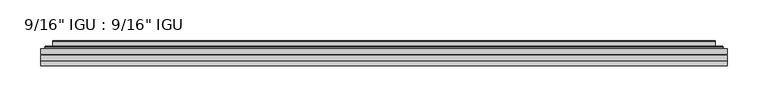
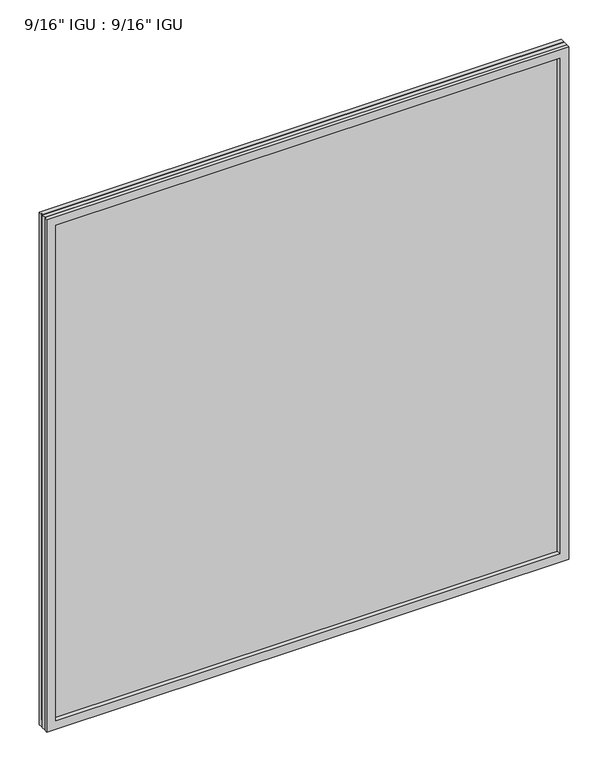
"""IFC4 building model written with IfcOpenShell, lengths in millimetres: plate geometry."""

from ifc_helpers import new_model, si_unit, frame, origin, place, context, project, spatial, polyline, ellipse_curve, outline, extrude, faceted_brep, source, transform, mapped, element, save
from ifc_brep_helpers import plane_surface, cylinder_surface, advanced_brep


def plate_bd784fa4(model_context):
    return source(origin(), model_context, "Body", "SolidModel", [
        extrude(outline(polyline([(419.114175, -54.78145), (419.114175, -61.1317818), (-419.1, -61.1317818), (-419.1, -54.78145), (419.114175, -54.78145)])), frame((0.0, 0.0, -14.2875), z_axis=(0.0, 0.0, 1.0), x_axis=(1.0, 0.0, 0.0)), (0.0, 0.0, 1.0), 869.9537979),
        extrude(outline(polyline([(-419.1, -69.05625), (-419.1, -62.705745), (419.114175, -62.705745), (419.114175, -69.05625), (-419.1, -69.05625)])), frame((0.0, 0.0, -14.2875), z_axis=(0.0, 0.0, 1.0), x_axis=(1.0, 0.0, 0.0)), (0.0, 0.0, 1.0), 869.9537979),
        faceted_brep([(-419.1127, -75.40625, 855.6752), (-419.1127, -69.05625, 855.6752), (-419.1127, -69.05625, -14.3002), (-419.1127, -75.40625, -14.3002), (419.1127, -69.05625, -14.3002), (419.1127, -75.40625, -14.3002), (419.1127, -69.05625, 855.6752), (419.1127, -75.40625, 855.6752), (-403.9147559, -69.05625, 0.8977441), (403.9147559, -69.05625, 0.8977441), (403.9147559, -69.05625, 840.4772559), (-403.9147559, -69.05625, 840.4772559), (-404.8071902, -75.40625, 841.3696902), (404.8071902, -75.40625, 841.3696902), (404.8071902, -75.40625, 0.0053098), (-404.8071902, -75.40625, 0.0053098)], [[[0, 1, 2, 3]], [[3, 2, 4, 5]], [[5, 4, 6, 7]], [[1, 6, 4, 2], [8, 9, 10, 11]], [[7, 6, 1, 0]], [[3, 5, 7, 0], [12, 13, 14, 15]], [[11, 12, 15, 8]], [[8, 15, 14, 9]], [[9, 14, 13, 10]], [[10, 13, 12, 11]]]),
        advanced_brep(
        [(-411.858719, -54.78145, 848.421219), (-414.2129244, -52.7917833, 850.7754244), (-414.2129244, -52.7917833, -9.4004244), (-411.858719, -54.78145, -7.046219), (-402.7843939, -50.941413, 839.3468939), (-397.8495621, -54.78145, 834.4120621), (-397.8495621, -54.78145, 6.9629379), (-402.7843939, -50.941413, 2.0281061), (-403.8164217, -45.5441819, 840.3789217), (-403.8164217, -45.5441819, 0.9960783), (-404.8070784, -45.1452069, 841.3695784), (-404.8070784, -45.1452069, 0.0054216), (-404.8070784, -51.60645, 841.3695784), (-404.8070784, -51.60645, 0.0054216), (-413.2111349, -51.60645, 849.7736349), (-413.2111349, -51.60645, -8.3986349), (414.2129244, -52.7917833, -9.4004244), (411.858719, -54.78145, -7.046219), (397.8495621, -54.78145, 6.9629379), (402.7843939, -50.941413, 2.0281061), (403.8164217, -45.5441819, 0.9960783), (404.8070784, -45.1452069, 0.0054216), (404.8070784, -51.60645, 0.0054216), (413.2111349, -51.60645, -8.3986349), (414.2129244, -52.7917833, 850.7754244), (411.858719, -54.78145, 848.421219), (397.8495621, -54.78145, 834.4120621), (402.7843939, -50.941413, 839.3468939), (403.8164217, -45.5441819, 840.3789217), (404.8070784, -45.1452069, 841.3695784), (404.8070784, -51.60645, 841.3695784), (413.2111349, -51.60645, 849.7736349)],
        [
            (0, 1, ellipse_curve(frame((-411.858719, -52.39385, 848.421219), z_axis=(-0.7071067811865475, 0.0, -0.7071067811865475), x_axis=(-0.7071067811865474, 0.0, 0.7071067811865476)), 3.3765763, 2.3876)),
            (1, 2),
            (2, 3, ellipse_curve(frame((-411.858719, -52.39385, -7.046219), z_axis=(-0.7071067811865475, 0.0, 0.7071067811865475), x_axis=(0.7071067811865474, 0.0, 0.7071067811865476)), 3.3765763, 2.3876)),
            (3, 0),
            (4, 5),
            (5, 6),
            (6, 7),
            (7, 4),
            (8, 4),
            (7, 9),
            (9, 8),
            (10, 8, ellipse_curve(frame((-404.4401219, -45.6634423, 841.0026219), z_axis=(-0.7071067811865475, 0.0, -0.7071067811865475), x_axis=(-0.7071067811865474, 0.0, 0.7071067811865476)), 0.8980256, 0.635)),
            (9, 11, ellipse_curve(frame((-404.4401219, -45.6634423, 0.3723781), z_axis=(-0.7071067811865475, 0.0, 0.7071067811865475), x_axis=(0.7071067811865474, 0.0, 0.7071067811865476)), 0.8980256, 0.635)),
            (11, 10),
            (12, 10),
            (11, 13),
            (13, 12),
            (1, 14, ellipse_curve(frame((-413.2111349, -52.62245, 849.7736349), z_axis=(-0.7071067811865475, 0.0, -0.7071067811865475), x_axis=(-0.7071067811865474, 0.0, 0.7071067811865476)), 1.436841, 1.016)),
            (14, 15),
            (15, 2, ellipse_curve(frame((-413.2111349, -52.62245, -8.3986349), z_axis=(-0.7071067811865475, 0.0, 0.7071067811865475), x_axis=(0.7071067811865474, 0.0, 0.7071067811865476)), 1.436841, 1.016)),
            (2, 16),
            (16, 17, ellipse_curve(frame((411.858719, -52.39385, -7.046219), z_axis=(-0.7071067811865475, 0.0, -0.7071067811865475), x_axis=(-0.7071067811865476, 0.0, 0.7071067811865474)), 3.3765763, 2.3876)),
            (17, 3),
            (6, 18),
            (18, 19),
            (19, 7),
            (19, 20),
            (20, 9),
            (20, 21, ellipse_curve(frame((404.4401219, -45.6634423, 0.3723781), z_axis=(-0.7071067811865475, 0.0, -0.7071067811865475), x_axis=(-0.7071067811865476, 0.0, 0.7071067811865474)), 0.8980256, 0.635)),
            (21, 11),
            (21, 22),
            (22, 13),
            (15, 23),
            (23, 16, ellipse_curve(frame((413.2111349, -52.62245, -8.3986349), z_axis=(-0.7071067811865475, 0.0, -0.7071067811865475), x_axis=(-0.7071067811865476, 0.0, 0.7071067811865474)), 1.436841, 1.016)),
            (16, 24),
            (24, 25, ellipse_curve(frame((411.858719, -52.39385, 848.421219), z_axis=(0.7071067811865475, 0.0, -0.7071067811865475), x_axis=(-0.7071067811865474, 0.0, -0.7071067811865476)), 3.3765763, 2.3876)),
            (25, 17),
            (18, 26),
            (26, 27),
            (27, 19),
            (27, 28),
            (28, 20),
            (28, 29, ellipse_curve(frame((404.4401219, -45.6634423, 841.0026219), z_axis=(0.7071067811865475, 0.0, -0.7071067811865475), x_axis=(-0.7071067811865474, 0.0, -0.7071067811865476)), 0.8980256, 0.635)),
            (29, 21),
            (29, 30),
            (30, 22),
            (23, 31),
            (31, 24, ellipse_curve(frame((413.2111349, -52.62245, 849.7736349), z_axis=(0.7071067811865475, 0.0, -0.7071067811865475), x_axis=(-0.7071067811865474, 0.0, -0.7071067811865476)), 1.436841, 1.016)),
            (24, 1),
            (0, 25),
            (5, 26),
            (4, 27),
            (8, 28),
            (10, 29),
            (12, 30),
            (14, 31),
        ],
        [
            cylinder_surface(frame((-411.858719, -52.39385, 873.125), z_axis=(0.0, 0.0, 1.0), x_axis=(-1.0, 0.0, 0.0)), 2.3876),
            plane_surface(frame((-397.8495621, -54.78145, 834.4120621), z_axis=(0.6141233906514794, 0.7892100234124821, 0.0), x_axis=(0.0, 0.0, -1.0))),
            plane_surface(frame((-402.7843939, -50.941413, 839.3468939), z_axis=(0.9822050625507728, 0.18781164793386085, 0.0), x_axis=(0.0, 0.0, -1.0))),
            cylinder_surface(frame((-404.4401219, -45.6634423, 873.125), z_axis=(0.0, 0.0, 1.0), x_axis=(-1.0, 0.0, 0.0)), 0.635),
            plane_surface(frame((-404.8070784, -45.1452069, 841.3695784), z_axis=(-1.0, 0.0, 0.0), x_axis=(0.0, 0.0, -1.0))),
            cylinder_surface(frame((-413.2111349, -52.62245, 873.125), z_axis=(0.0, 0.0, 1.0), x_axis=(-1.0, 0.0, 0.0)), 1.016),
            cylinder_surface(frame((-436.5625, -52.39385, -7.046219), z_axis=(-1.0, 0.0, 0.0), x_axis=(0.0, 0.0, -1.0)), 2.3876),
            plane_surface(frame((-397.8495621, -54.78145, 6.9629379), z_axis=(0.0, 0.7892100234124841, 0.6141233906514768), x_axis=(1.0, 0.0, 0.0))),
            plane_surface(frame((-402.7843939, -50.941413, 2.0281061), z_axis=(0.0, 0.18781164793386404, 0.9822050625507722), x_axis=(1.0, 0.0, 0.0))),
            cylinder_surface(frame((-436.5625, -45.6634423, 0.3723781), z_axis=(-1.0, 0.0, 0.0), x_axis=(0.0, 0.0, -1.0)), 0.635),
            plane_surface(frame((-404.8070784, -45.1452069, 0.0054216), z_axis=(0.0, 0.0, -1.0), x_axis=(1.0, 0.0, 0.0))),
            cylinder_surface(frame((-436.5625, -52.62245, -8.3986349), z_axis=(-1.0, 0.0, 0.0), x_axis=(0.0, 0.0, -1.0)), 1.016),
            cylinder_surface(frame((411.858719, -52.39385, -31.75), z_axis=(0.0, 0.0, -1.0), x_axis=(1.0, 0.0, 0.0)), 2.3876),
            plane_surface(frame((397.8495621, -54.78145, 6.9629379), z_axis=(-0.6141233906514743, 0.7892100234124861, 0.0), x_axis=(0.0, 0.0, 1.0))),
            plane_surface(frame((402.7843939, -50.941413, 2.0281061), z_axis=(-0.9822050625507717, 0.18781164793386723, 0.0), x_axis=(0.0, 0.0, 1.0))),
            cylinder_surface(frame((404.4401219, -45.6634423, -31.75), z_axis=(0.0, 0.0, -1.0), x_axis=(1.0, 0.0, 0.0)), 0.635),
            plane_surface(frame((404.8070784, -45.1452069, 0.0054216), z_axis=(1.0, 0.0, 0.0), x_axis=(0.0, 0.0, 1.0))),
            cylinder_surface(frame((413.2111349, -52.62245, -31.75), z_axis=(0.0, 0.0, -1.0), x_axis=(1.0, 0.0, 0.0)), 1.016),
            cylinder_surface(frame((436.5625, -52.39385, 848.421219), z_axis=(1.0, 0.0, 0.0), x_axis=(0.0, 0.0, 1.0)), 2.3876),
            plane_surface(frame((411.858719, -54.78145, 848.421219), z_axis=(0.0, -1.0, 0.0), x_axis=(-1.0, 0.0, 0.0))),
            plane_surface(frame((397.8495621, -54.78145, 834.4120621), z_axis=(0.0, 0.7892100234124841, -0.6141233906514768), x_axis=(-1.0, 0.0, 0.0))),
            plane_surface(frame((402.7843939, -50.941413, 839.3468939), z_axis=(0.0, 0.18781164793386404, -0.9822050625507722), x_axis=(-1.0, 0.0, 0.0))),
            cylinder_surface(frame((436.5625, -45.6634423, 841.0026219), z_axis=(1.0, 0.0, 0.0), x_axis=(0.0, 0.0, 1.0)), 0.635),
            plane_surface(frame((404.8070784, -45.1452069, 841.3695784), z_axis=(0.0, 0.0, 1.0), x_axis=(-1.0, 0.0, 0.0))),
            plane_surface(frame((404.8070784, -51.60645, 841.3695784), z_axis=(0.0, 1.0, 0.0), x_axis=(-1.0, 0.0, 0.0))),
            cylinder_surface(frame((436.5625, -52.62245, 849.7736349), z_axis=(1.0, 0.0, 0.0), x_axis=(0.0, 0.0, 1.0)), 1.016),
        ],
        [
            (0, [[1, 2, 3, 4]]),
            (1, [[5, 6, 7, 8]]),
            (2, [[9, -8, 10, 11]]),
            (3, [[12, -11, 13, 14]]),
            (4, [[15, -14, 16, 17]]),
            (5, [[18, 19, 20, -2]]),
            (6, [[-3, 21, 22, 23]]),
            (7, [[-7, 24, 25, 26]]),
            (8, [[-10, -26, 27, 28]]),
            (9, [[-13, -28, 29, 30]]),
            (10, [[-16, -30, 31, 32]]),
            (11, [[-20, 33, 34, -21]]),
            (12, [[-22, 35, 36, 37]]),
            (13, [[-25, 38, 39, 40]]),
            (14, [[-27, -40, 41, 42]]),
            (15, [[-29, -42, 43, 44]]),
            (16, [[-31, -44, 45, 46]]),
            (17, [[-34, 47, 48, -35]]),
            (18, [[-36, 49, -1, 50]]),
            (19, [[-23, -37, -50, -4], [51, -38, -24, -6]]),
            (20, [[-39, -51, -5, 52]]),
            (21, [[-41, -52, -9, 53]]),
            (22, [[-43, -53, -12, 54]]),
            (23, [[-45, -54, -15, 55]]),
            (24, [[56, -47, -33, -19], [-32, -46, -55, -17]]),
            (25, [[-48, -56, -18, -49]]),
        ],
    ),
    ])


if __name__ == "__main__":
    model = new_model("IFC4")
    model_context = context("Model", 3, world=origin())
    ifc_project = project(units=[si_unit("LENGTHUNIT", "METRE", prefix="MILLI")], contexts=[model_context])
    site = spatial("IfcSite", under=ifc_project)
    building = spatial("IfcBuilding", under=site)
    placement = place(None, origin())
    plate_shape = plate_bd784fa4(model_context)
    element("IfcPlate", 1, ObjectType="9/16\" IGU : 9/16\" IGU", at=placement, inside=building, context=model_context, shape_type="MappedRepresentation", body=[
        mapped(plate_shape, transform((0.0, 0.0, 0.0), x_axis=(1.0, 0.0, 0.0), y_axis=(0.0, 1.0, 0.0), z_axis=(0.0, 0.0, 1.0))),
    ])
    save(model, "model.ifc")
